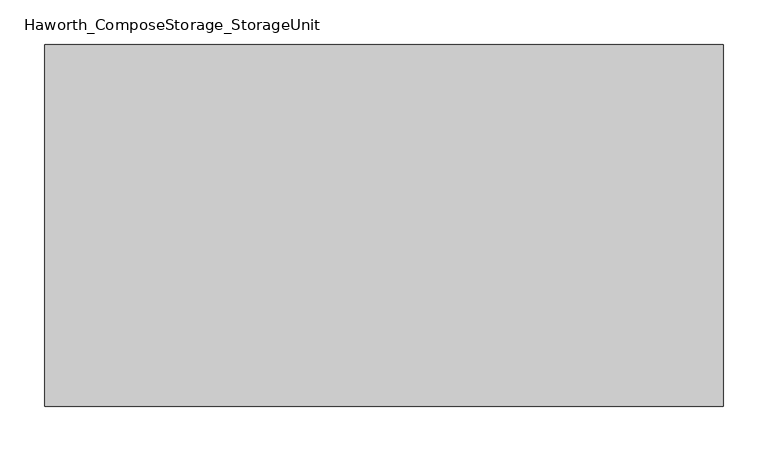
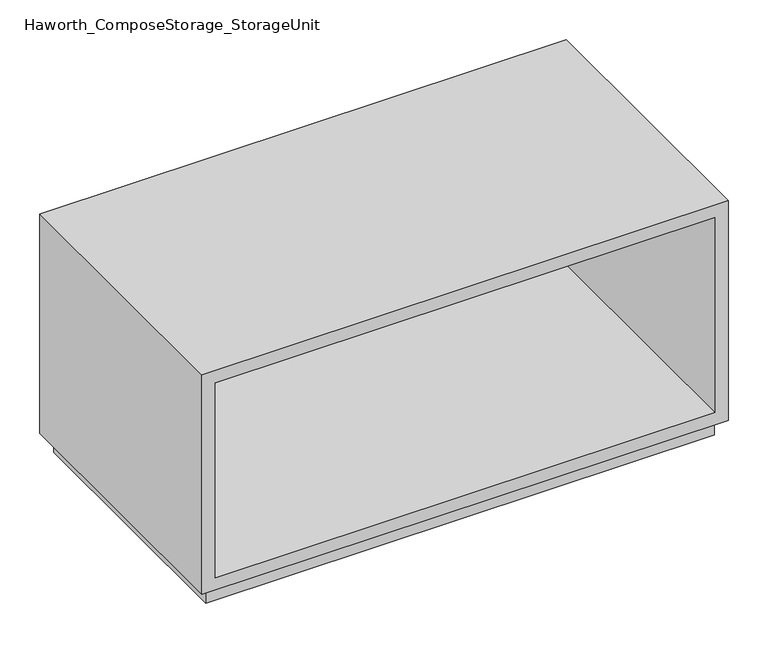
"""IFC4 building model written with IfcOpenShell, lengths in millimetres: furniture geometry, Haworth_ComposeStorage_StorageUnit."""

from ifc_helpers import new_model, si_unit, frame, origin, origin_with_axes, place, context, project, spatial, polyline, outline, extrude, source, transform, mapped, element, save


def haworth_composestorage_storageunit_b97c8516(model_context):
    return source(origin(), model_context, "Body", "SweptSolid", [
        extrude(outline(polyline([(25.4, -380.9861094), (25.4, 381.0138906), (361.95, 381.0138906), (361.95, -380.9861094), (25.4, -380.9861094)]), holes=[polyline([(44.45, -361.9361094), (342.9, -361.9361094), (342.9, 361.9569453), (44.45, 361.9569453), (44.45, -361.9361094)])]), frame((0.0, -152.4, 0.0), z_axis=(0.0, 1.0, 0.0), x_axis=(0.0, 0.0, 1.0)), (0.0, 0.0, 1.0), 406.4),
        extrude(outline(polyline([(-361.9291641, 219.075), (-361.9291641, 228.6), (361.9569453, 228.6), (361.9569453, 219.075), (-361.9291641, 219.075)])), frame((0.0, 0.0, 44.45), z_axis=(0.0, 0.0, 1.0), x_axis=(1.0, 0.0, 0.0)), (0.0, 0.0, 1.0), 298.45),
        extrude(outline(polyline([(368.3138906, -139.7), (-368.2861094, -139.7), (-368.2861094, 241.3), (368.3138906, 241.3), (368.3138906, -139.7)])), origin_with_axes(), (0.0, 0.0, 1.0), 25.4),
    ])


if __name__ == "__main__":
    model = new_model("IFC4")
    model_context = context("Model", 3, world=origin())
    ifc_project = project(units=[si_unit("LENGTHUNIT", "METRE", prefix="MILLI")], contexts=[model_context])
    site = spatial("IfcSite", under=ifc_project)
    building = spatial("IfcBuilding", under=site)
    placement = place(None, origin())
    haworth_composestorage_storageunit_shape = haworth_composestorage_storageunit_b97c8516(model_context)
    element("IfcFurniture", 1, ObjectType="Haworth_ComposeStorage_StorageUnit", at=placement, inside=building, context=model_context, shape_type="MappedRepresentation", body=[
        mapped(haworth_composestorage_storageunit_shape, transform((0.0, 0.0, 0.0), x_axis=(1.0, 0.0, 0.0), y_axis=(0.0, 1.0, 0.0), z_axis=(0.0, 0.0, 1.0))),
    ])
    save(model, "model.ifc")
